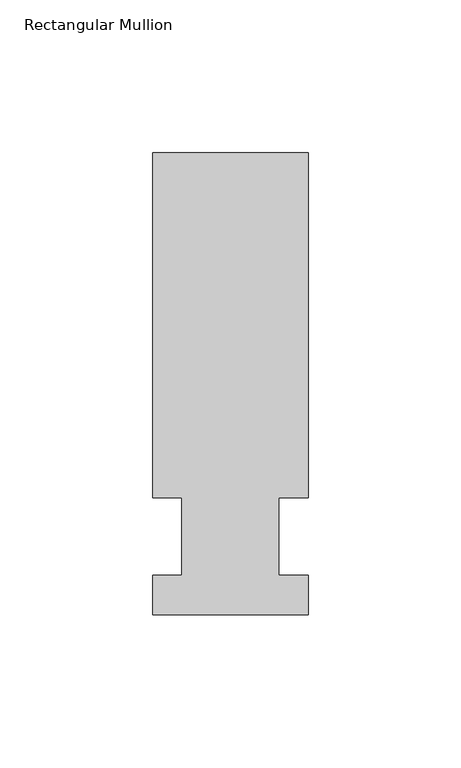
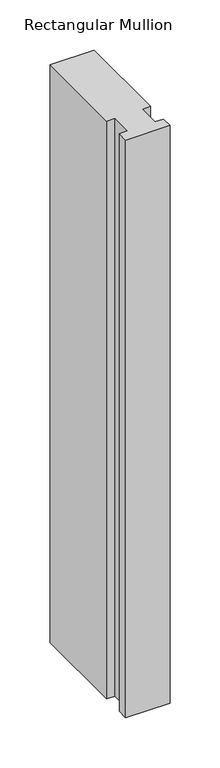
"""IFC4 building model written with IfcOpenShell, lengths in millimetres: member geometry, Rectangular Mullion."""

from ifc_helpers import new_model, si_unit, frame, origin, place, context, project, spatial, polyline, outline, extrude, source, transform, mapped, element, save


def rectangular_mullion_951e37f7(model_context):
    return source(origin(), model_context, "Body", "SweptSolid", [
        extrude(outline(polyline([(-25.4, -25.5984375), (-25.4, -12.7), (-15.875, -12.7), (-15.875, 12.7), (-25.4, 12.7), (-25.4, 125.6109375), (25.4, 125.6109375), (25.4, 12.7), (15.875, 12.7), (15.875, -12.7), (25.4, -12.7), (25.4, -25.5984375), (-25.4, -25.5984375)])), frame((0.0, 0.0, -703.2625), z_axis=(0.0, 0.0, 1.0), x_axis=(1.0, 0.0, 0.0)), (0.0, 0.0, 1.0), 703.2625),
    ])


if __name__ == "__main__":
    model = new_model("IFC4")
    model_context = context("Model", 3, world=origin())
    ifc_project = project(units=[si_unit("LENGTHUNIT", "METRE", prefix="MILLI")], contexts=[model_context])
    site = spatial("IfcSite", under=ifc_project)
    building = spatial("IfcBuilding", under=site)
    placement = place(None, origin())
    rectangular_mullion_shape = rectangular_mullion_951e37f7(model_context)
    element("IfcMember", 1, ObjectType="Rectangular Mullion", at=placement, inside=building, context=model_context, shape_type="MappedRepresentation", body=[
        mapped(rectangular_mullion_shape, transform((0.0, 0.0, 0.0), x_axis=(1.0, 0.0, 0.0), y_axis=(0.0, 1.0, 0.0), z_axis=(0.0, 0.0, 1.0))),
    ])
    save(model, "model.ifc")
